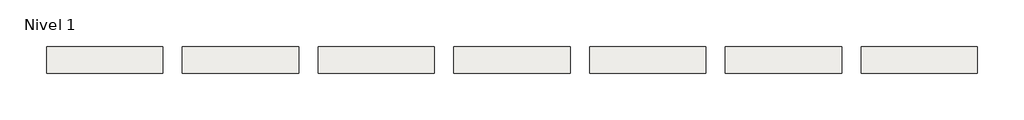
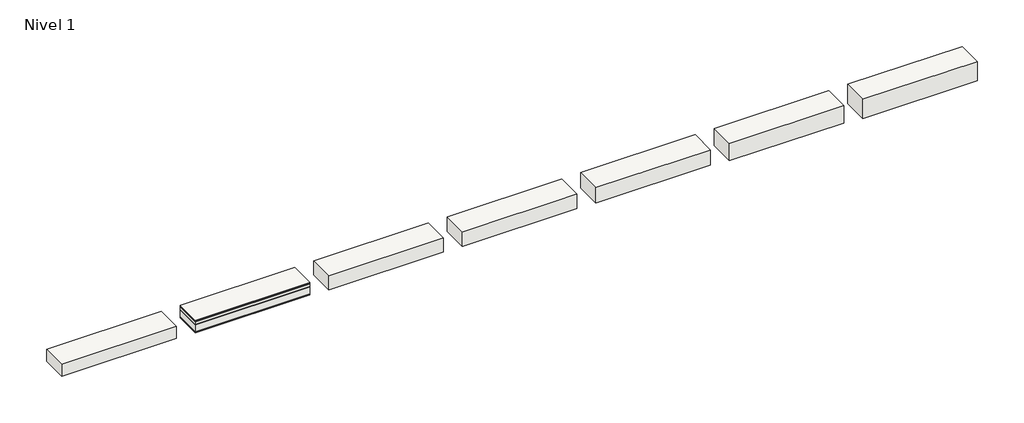
# One storey: 7 slabs.
"""IFC4 building model written with IfcOpenShell, lengths in millimetres."""

import ifcopenshell
import ifcopenshell.guid

model = None  # the IFC model being written
_history = None  # IfcOwnerHistory: only IFC2X3 demands one
_inside = {}  # id of a spatial element -> (the spatial element, [elements in it])
_under = {}  # id of a project, library or spatial element -> (it, [spatial elements below it])
_declared = {}  # id of a project -> (the project, [libraries it declares])
_typed = {}  # id of a type object -> (the type object, [elements of that type])
_made_of = {}  # id of a material, layer set ... -> (it, [elements and type objects made of it])


def new_model(schema):
    """Start an empty IFC model of exactly this schema.

    Asked for "IFC4X3", IfcOpenShell would pick the latest addendum, in which some entities
    have other attributes; the version numbers below select the first issue.
    IFC2X3 requires an IfcOwnerHistory on every rooted entity: one is made here for all.
    """
    global model, _history
    if schema == "IFC4X3":
        model = ifcopenshell.file(schema_version=(4, 3, 0, 0))
    else:
        model = ifcopenshell.file(schema=schema)
    _inside.clear()
    _under.clear()
    _declared.clear()
    _typed.clear()
    _made_of.clear()
    _history = None
    if model.schema == "IFC2X3":
        org = make("IfcOrganization", Name="unknown")
        user = make(
            "IfcPersonAndOrganization",
            ThePerson=make("IfcPerson", FamilyName="unknown"),
            TheOrganization=org,
        )
        app = make(
            "IfcApplication",
            ApplicationDeveloper=org,
            Version="unknown",
            ApplicationFullName="unknown",
            ApplicationIdentifier="unknown",
        )
        _history = make(
            "IfcOwnerHistory",
            OwningUser=user,
            OwningApplication=app,
            ChangeAction="ADDED",
            CreationDate=0,
        )
    return model


def make(cls, **values):
    """One entity of the class cls with the attributes given. An attribute that is None is left unset."""
    return model.create_entity(
        cls, **{name: value for name, value in values.items() if value is not None}
    )


def rooted(cls, **values):
    """An entity with a GlobalId (a new one), such as an element, a storey or a relation."""
    return make(cls, GlobalId=ifcopenshell.guid.new(), OwnerHistory=_history, **values)


def si_unit(unit_type, name, prefix=None):
    """IfcSIUnit, for example si_unit("LENGTHUNIT", "METRE", prefix="MILLI")."""
    return make("IfcSIUnit", UnitType=unit_type, Prefix=prefix, Name=name)


def assignment(units):
    """IfcUnitAssignment: the units of a project."""
    return None if units is None else make("IfcUnitAssignment", Units=units)


def point(xyz):
    """IfcCartesianPoint."""
    return None if xyz is None else make("IfcCartesianPoint", Coordinates=xyz)


def direction(xyz):
    """IfcDirection."""
    return None if xyz is None else make("IfcDirection", DirectionRatios=xyz)


def frame(location, z_axis=None, x_axis=None):
    """IfcAxis2Placement3D, a coordinate frame: its origin and axes. An axis left out is left unset."""
    return make(
        "IfcAxis2Placement3D",
        Location=point(location),
        Axis=direction(z_axis),
        RefDirection=direction(x_axis),
    )


def origin():
    """The frame at (0, 0, 0) with its axes left unset."""
    return frame((0.0, 0.0, 0.0))


def place(relative_to, where):
    """IfcLocalPlacement: puts the frame where relative to a parent placement (None: the world)."""
    return make(
        "IfcLocalPlacement", PlacementRelTo=relative_to, RelativePlacement=where
    )


def context(
    kind, dimensions, precision=None, world=None, true_north=None, identifier=None
):
    """IfcGeometricRepresentationContext, for example the 3D "Model" context."""
    return make(
        "IfcGeometricRepresentationContext",
        ContextIdentifier=identifier,
        ContextType=kind,
        CoordinateSpaceDimension=dimensions,
        Precision=precision,
        WorldCoordinateSystem=world,
        TrueNorth=true_north,
    )


def project(units=None, contexts=None):
    """IfcProject with its units and contexts."""
    return rooted(
        "IfcProject",
        Name="project",
        RepresentationContexts=contexts,
        UnitsInContext=assignment(units),
    )


def spatial(cls, under=None, at=None, **own):
    """A site, building, storey or space (cls), placed at a placement, below another one or the project."""
    s = rooted(cls, ObjectPlacement=at, **own)
    if under is not None:
        _under.setdefault(under.id(), (under, []))[1].append(s)
    return s


def polyline(points):
    """IfcPolyline through the points."""
    return make("IfcPolyline", Points=[point(p) for p in points])


def outline(outer, holes=None, kind="AREA"):
    """IfcArbitraryClosedProfileDef: a profile drawn as a closed curve; with holes, ...WithVoids."""
    if holes is None:
        return make("IfcArbitraryClosedProfileDef", ProfileType=kind, OuterCurve=outer)
    return make(
        "IfcArbitraryProfileDefWithVoids",
        ProfileType=kind,
        OuterCurve=outer,
        InnerCurves=holes,
    )


def extrude(swept, where, along, depth):
    """IfcExtrudedAreaSolid: the profile swept, set in the frame where, extruded along a direction by depth."""
    return make(
        "IfcExtrudedAreaSolid",
        SweptArea=swept,
        Position=where,
        ExtrudedDirection=direction(along),
        Depth=depth,
    )


def shape(context_of_items, identifier, shape_type, items):
    """IfcShapeRepresentation: the items that make up one representation, for example the "Body"."""
    return make(
        "IfcShapeRepresentation",
        ContextOfItems=context_of_items,
        RepresentationIdentifier=identifier,
        RepresentationType=shape_type,
        Items=items,
    )


def made_of(thing, what):
    """Note that an element or type object is made of a material, layer set ...; save() writes the relation."""
    if what is not None:
        _made_of.setdefault(what.id(), (what, []))[1].append(thing)
    return thing


def element(
    cls,
    number,
    at=None,
    inside=None,
    cuts=None,
    type_object=None,
    material=None,
    context=None,
    identifier="Body",
    shape_type=None,
    held_by="IfcProductDefinitionShape",
    body=None,
    shapes=None,
    **own,
):
    """One element of the class cls, such as IfcWall. Its Tag is "e" and its number.

    at: its placement. inside: the storey or other place that contains it. cuts: it is an
    opening in that element (IfcRelVoidsElement). A single representation is given by context,
    identifier, shape_type and body (its items); several are given by shapes. held_by: the class
    of the entity that holds the representations. save() writes the other relations.
    """
    e = rooted(cls, Tag="e%d" % number, ObjectPlacement=at, **own)
    if body is not None:
        shapes = [shape(context, identifier, shape_type, body)]
    if shapes is not None:
        e.Representation = make(held_by, Representations=shapes)
    if inside is not None:
        _inside.setdefault(inside.id(), (inside, []))[1].append(e)
    if cuts is not None:
        rooted(
            "IfcRelVoidsElement", RelatingBuildingElement=cuts, RelatedOpeningElement=e
        )
    if type_object is not None:
        _typed.setdefault(type_object.id(), (type_object, []))[1].append(e)
    return made_of(e, material)


def aggregate(whole, parts):
    """IfcRelAggregates: a whole, such as a stair, and the parts it consists of."""
    return rooted("IfcRelAggregates", RelatingObject=whole, RelatedObjects=parts)


def save(model, path):
    """Write the relations noted so far, then the file.

    IfcRelAggregates (storeys below a building ...), IfcRelContainedInSpatialStructure (elements
    in a storey), IfcRelDefinesByType, IfcRelAssociatesMaterial and IfcRelDeclares: one each for
    every whole, place, type object, material and project.
    """
    for whole, parts in _under.values():
        aggregate(whole, parts)
    for where, things in _inside.values():
        rooted(
            "IfcRelContainedInSpatialStructure",
            RelatedElements=things,
            RelatingStructure=where,
        )
    for kind, things in _typed.values():
        rooted("IfcRelDefinesByType", RelatedObjects=things, RelatingType=kind)
    for what, things in _made_of.values():
        rooted("IfcRelAssociatesMaterial", RelatedObjects=things, RelatingMaterial=what)
    for by, libraries in _declared.values():
        rooted("IfcRelDeclares", RelatingContext=by, RelatedDefinitions=libraries)
    model.write(path)


model = new_model("IFC4")

# Units and contexts
model_context = context("Model", 3, world=origin())
ifc_project = project(units=[si_unit("LENGTHUNIT", "METRE", prefix="MILLI")], contexts=[model_context])

# Site, building, storey
site = spatial("IfcSite", under=ifc_project)
building = spatial("IfcBuilding", under=site)
storey = spatial("IfcBuildingStorey", under=building, Name="Nivel 1", Elevation=0.0)

# Slabs
placement = place(None, origin())
element("IfcSlab", 1, at=placement, inside=storey, context=model_context, shape_type="SweptSolid", body=[
    extrude(outline(polyline([(1184.4345966, -2901.6608764), (1184.4345966, -3451.6608764), (-1215.5654034, -3451.6608764), (-1215.5654034, -2901.6608764), (1184.4345966, -2901.6608764)])), frame((0.0, 0.0, -20.0), z_axis=(0.0, 0.0, 1.0), x_axis=(1.0, 0.0, 0.0)), (0.0, 0.0, 1.0), 20.0),
    extrude(outline(polyline([(1184.4345966, -2901.6608764), (1184.4345966, -3451.6608764), (-1215.5654034, -3451.6608764), (-1215.5654034, -2901.6608764), (1184.4345966, -2901.6608764)])), frame((0.0, 0.0, -32.5), z_axis=(0.0, 0.0, 1.0), x_axis=(1.0, 0.0, 0.0)), (0.0, 0.0, 1.0), 12.5),
    extrude(outline(polyline([(1184.4345966, -2901.6608764), (1184.4345966, -3451.6608764), (-1215.5654034, -3451.6608764), (-1215.5654034, -2901.6608764), (1184.4345966, -2901.6608764)])), frame((0.0, 0.0, -92.5), z_axis=(0.0, 0.0, 1.0), x_axis=(1.0, 0.0, 0.0)), (0.0, 0.0, 1.0), 60.0),
    extrude(outline(polyline([(1184.4345966, -2901.6608764), (1184.4345966, -3451.6608764), (-1215.5654034, -3451.6608764), (-1215.5654034, -2901.6608764), (1184.4345966, -2901.6608764)])), frame((0.0, 0.0, -105.0), z_axis=(0.0, 0.0, 1.0), x_axis=(1.0, 0.0, 0.0)), (0.0, 0.0, 1.0), 12.5),
    extrude(outline(polyline([(1184.4345966, -2901.6608764), (1184.4345966, -3451.6608764), (-1215.5654034, -3451.6608764), (-1215.5654034, -2901.6608764), (1184.4345966, -2901.6608764)])), frame((0.0, 0.0, -255.0), z_axis=(0.0, 0.0, 1.0), x_axis=(1.0, 0.0, 0.0)), (0.0, 0.0, 1.0), 150.0),
    extrude(outline(polyline([(1184.4345966, -2901.6608764), (1184.4345966, -3451.6608764), (-1215.5654034, -3451.6608764), (-1215.5654034, -2901.6608764), (1184.4345966, -2901.6608764)])), frame((0.0, 0.0, -267.5), z_axis=(0.0, 0.0, 1.0), x_axis=(1.0, 0.0, 0.0)), (0.0, 0.0, 1.0), 12.5),
    extrude(outline(polyline([(1184.4345966, -2901.6608764), (1184.4345966, -3451.6608764), (-1215.5654034, -3451.6608764), (-1215.5654034, -2901.6608764), (1184.4345966, -2901.6608764)])), frame((0.0, 0.0, -282.5), z_axis=(0.0, 0.0, 1.0), x_axis=(1.0, 0.0, 0.0)), (0.0, 0.0, 1.0), 15.0),
])
element("IfcSlab", 2, at=placement, inside=storey, context=model_context, shape_type="SweptSolid", body=[
    extrude(outline(polyline([(-1615.5654034, -2901.6608764), (-1615.5654034, -3451.6608764), (-4015.5654034, -3451.6608764), (-4015.5654034, -2901.6608764), (-1615.5654034, -2901.6608764)])), frame((0.0, 0.0, -262.5), z_axis=(0.0, 0.0, 1.0), x_axis=(1.0, 0.0, 0.0)), (0.0, 0.0, 1.0), 262.5),
])
element("IfcSlab", 3, at=placement, inside=storey, context=model_context, shape_type="SweptSolid", body=[
    extrude(outline(polyline([(3984.4345966, -2901.6608764), (3984.4345966, -3451.6608764), (1584.4345966, -3451.6608764), (1584.4345966, -2901.6608764), (3984.4345966, -2901.6608764)])), frame((0.0, 0.0, -302.5), z_axis=(0.0, 0.0, 1.0), x_axis=(1.0, 0.0, 0.0)), (0.0, 0.0, 1.0), 302.5),
])
element("IfcSlab", 4, at=placement, inside=storey, context=model_context, shape_type="SweptSolid", body=[
    extrude(outline(polyline([(6784.4345966, -2901.6608764), (6784.4345966, -3451.6608764), (4384.4345966, -3451.6608764), (4384.4345966, -2901.6608764), (6784.4345966, -2901.6608764)])), frame((0.0, 0.0, -322.5), z_axis=(0.0, 0.0, 1.0), x_axis=(1.0, 0.0, 0.0)), (0.0, 0.0, 1.0), 322.5),
])
element("IfcSlab", 5, at=placement, inside=storey, context=model_context, shape_type="SweptSolid", body=[
    extrude(outline(polyline([(9584.4345966, -2901.6608764), (9584.4345966, -3451.6608764), (7184.4345966, -3451.6608764), (7184.4345966, -2901.6608764), (9584.4345966, -2901.6608764)])), frame((0.0, 0.0, -342.5), z_axis=(0.0, 0.0, 1.0), x_axis=(1.0, 0.0, 0.0)), (0.0, 0.0, 1.0), 342.5),
])
element("IfcSlab", 6, at=placement, inside=storey, context=model_context, shape_type="SweptSolid", body=[
    extrude(outline(polyline([(12384.4345966, -2901.6608764), (12384.4345966, -3451.6608764), (9984.4345966, -3451.6608764), (9984.4345966, -2901.6608764), (12384.4345966, -2901.6608764)])), frame((0.0, 0.0, -382.5), z_axis=(0.0, 0.0, 1.0), x_axis=(1.0, 0.0, 0.0)), (0.0, 0.0, 1.0), 382.5),
])
element("IfcSlab", 7, at=placement, inside=storey, context=model_context, shape_type="SweptSolid", body=[
    extrude(outline(polyline([(15184.4345966, -2901.6608764), (15184.4345966, -3451.6608764), (12784.4345966, -3451.6608764), (12784.4345966, -2901.6608764), (15184.4345966, -2901.6608764)])), frame((0.0, 0.0, -422.5), z_axis=(0.0, 0.0, 1.0), x_axis=(1.0, 0.0, 0.0)), (0.0, 0.0, 1.0), 422.5),
])

save(model, "model.ifc")
